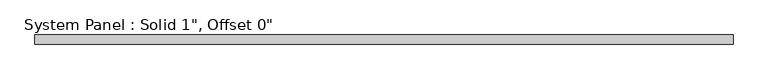
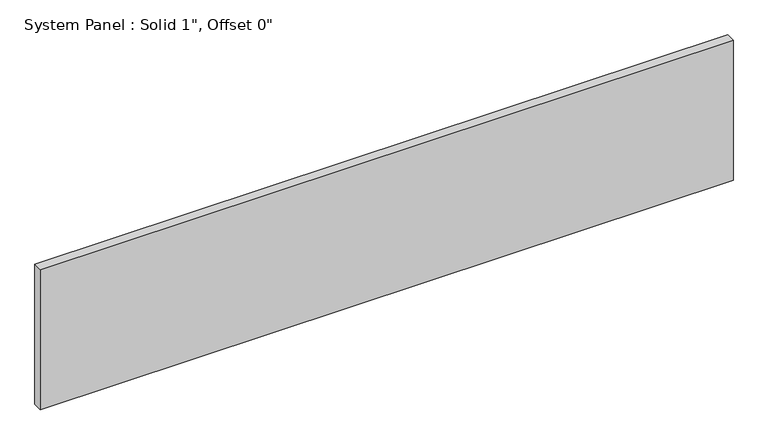
"""IFC4 building model written with IfcOpenShell, lengths in millimetres: plate geometry."""

from ifc_helpers import new_model, si_unit, origin, origin_with_axes, place, context, project, spatial, polyline, outline, extrude, source, transform, mapped, element, save


def plate_2c6252f4(model_context):
    return source(origin(), model_context, "Body", "SweptSolid", [
        extrude(outline(polyline([(972.9910647, -12.7), (-972.9910647, -12.7), (-972.9910647, 12.7), (972.9910647, 12.7), (972.9910647, -12.7)])), origin_with_axes(), (0.0, 0.0, 1.0), 415.901146),
    ])


if __name__ == "__main__":
    model = new_model("IFC4")
    model_context = context("Model", 3, world=origin())
    ifc_project = project(units=[si_unit("LENGTHUNIT", "METRE", prefix="MILLI")], contexts=[model_context])
    site = spatial("IfcSite", under=ifc_project)
    building = spatial("IfcBuilding", under=site)
    placement = place(None, origin())
    plate_shape = plate_2c6252f4(model_context)
    element("IfcPlate", 1, ObjectType="System Panel : Solid 1\", Offset 0\"", at=placement, inside=building, context=model_context, shape_type="MappedRepresentation", body=[
        mapped(plate_shape, transform((0.0, 0.0, 0.0), x_axis=(1.0, 0.0, 0.0), y_axis=(0.0, 1.0, 0.0), z_axis=(0.0, 0.0, 1.0))),
    ])
    save(model, "model.ifc")
